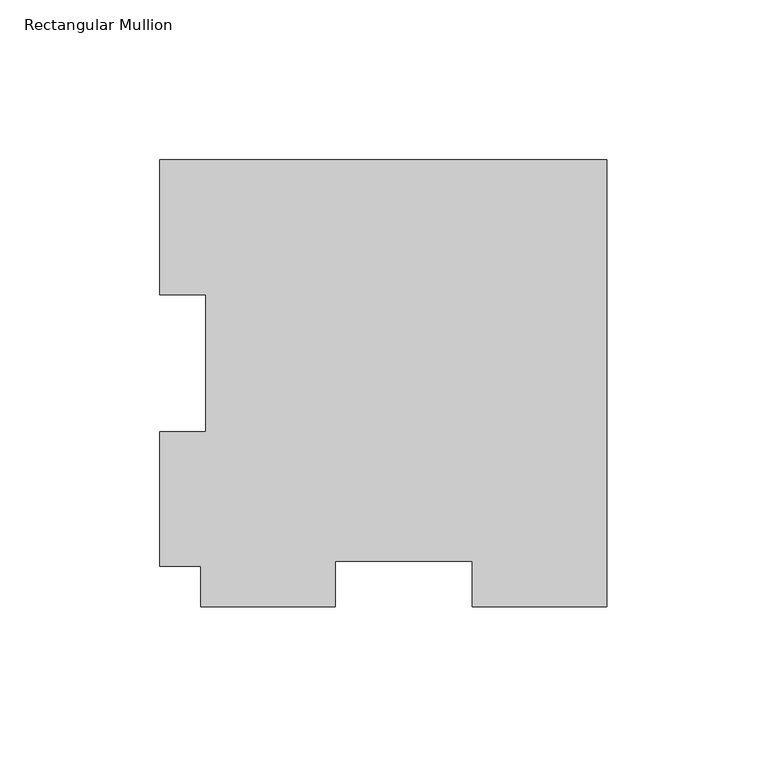
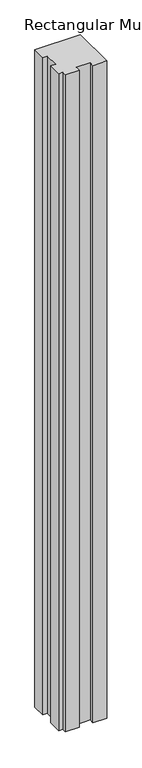
"""IFC4 building model written with IfcOpenShell, lengths in millimetres: member geometry, Rectangular Mullion."""

from ifc_helpers import new_model, si_unit, frame, origin, place, context, project, spatial, polyline, outline, extrude, source, transform, mapped, element, save


def rectangular_mullion_3469a367(model_context):
    return source(origin(), model_context, "Body", "SweptSolid", [
        extrude(outline(polyline([(-139.7, 127.00635), (0.0, 127.00635), (0.0, -12.69365), (-42.0751, -12.69365), (-42.0751, 1.59385), (-84.9249, 1.59385), (-84.9249, -12.69365), (-127.0, -12.69365), (-127.0, 0.00635), (-139.7, 0.00635), (-139.7, 42.08145), (-125.4125, 42.08145), (-125.4125, 84.93125), (-139.7, 84.93125), (-139.7, 127.00635)])), frame((0.0, 0.0, -2133.6), z_axis=(0.0, 0.0, 1.0), x_axis=(1.0, 0.0, 0.0)), (0.0, 0.0, 1.0), 2133.6),
    ])


if __name__ == "__main__":
    model = new_model("IFC4")
    model_context = context("Model", 3, world=origin())
    ifc_project = project(units=[si_unit("LENGTHUNIT", "METRE", prefix="MILLI")], contexts=[model_context])
    site = spatial("IfcSite", under=ifc_project)
    building = spatial("IfcBuilding", under=site)
    placement = place(None, origin())
    rectangular_mullion_shape = rectangular_mullion_3469a367(model_context)
    element("IfcMember", 1, ObjectType="Rectangular Mullion", at=placement, inside=building, context=model_context, shape_type="MappedRepresentation", body=[
        mapped(rectangular_mullion_shape, transform((0.0, 0.0, 0.0), x_axis=(1.0, 0.0, 0.0), y_axis=(0.0, 1.0, 0.0), z_axis=(0.0, 0.0, 1.0))),
    ])
    save(model, "model.ifc")
